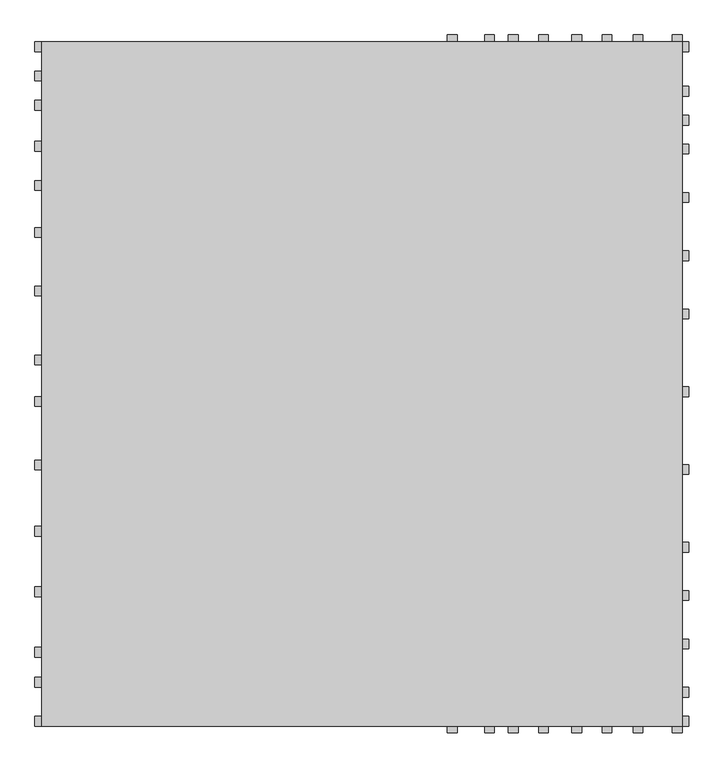
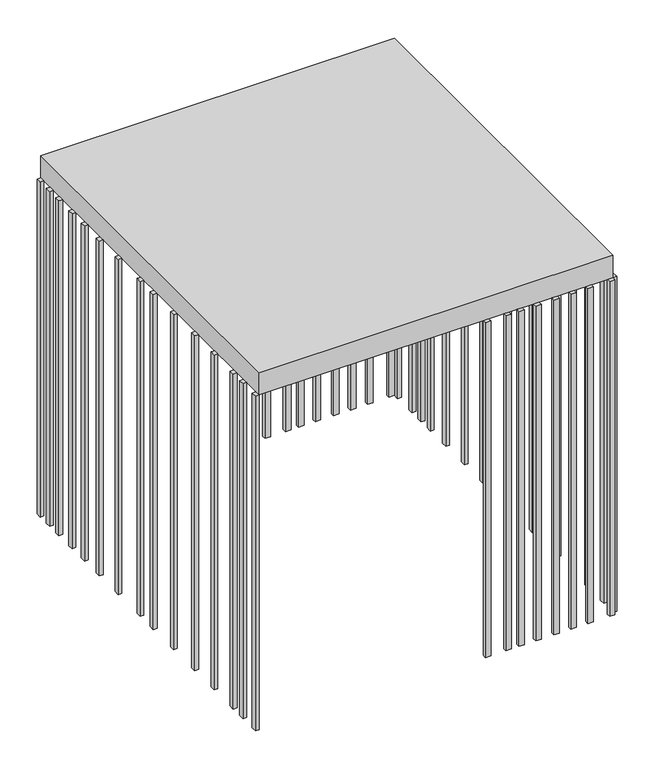
"""IFC4 building model written with IfcOpenShell, lengths in millimetres: proxy geometry."""

from ifc_helpers import new_model, si_unit, frame, origin, origin_with_axes, place, context, project, spatial, polyline, outline, extrude, source, transform, mapped, element, save


def generic_models_0f31ba75(model_context):
    return source(origin(), model_context, "Body", "SweptSolid", [
        extrude(outline(polyline([(-6620.0, 0.0), (-6620.0, 100.0), (-6550.0, 100.0), (-6550.0, 0.0), (-6620.0, 0.0)])), frame((0.0, 0.0, -6550.0), z_axis=(0.0, 0.0, 1.0), x_axis=(1.0, 0.0, 0.0)), (0.0, 0.0, 1.0), 6550.0),
        extrude(outline(polyline([(-6620.0, 400.0), (-6620.0, 500.0), (-6550.0, 500.0), (-6550.0, 400.0), (-6620.0, 400.0)])), frame((0.0, 0.0, -6550.0), z_axis=(0.0, 0.0, 1.0), x_axis=(1.0, 0.0, 0.0)), (0.0, 0.0, 1.0), 6550.0),
        extrude(outline(polyline([(-6620.0, 706.7102779), (-6620.0, 806.7102779), (-6550.0, 806.7102779), (-6550.0, 706.7102779), (-6620.0, 706.7102779)])), frame((0.0, 0.0, -6550.0), z_axis=(0.0, 0.0, 1.0), x_axis=(1.0, 0.0, 0.0)), (0.0, 0.0, 1.0), 6550.0),
        extrude(outline(polyline([(-6620.0, 1323.8206399), (-6620.0, 1423.8206399), (-6550.0, 1423.8206399), (-6550.0, 1323.8206399), (-6620.0, 1323.8206399)])), frame((0.0, 0.0, -6550.0), z_axis=(0.0, 0.0, 1.0), x_axis=(1.0, 0.0, 0.0)), (0.0, 0.0, 1.0), 6550.0),
        extrude(outline(polyline([(-6620.0, 1944.2979319), (-6620.0, 2044.2979319), (-6550.0, 2044.2979319), (-6550.0, 1944.2979319), (-6620.0, 1944.2979319)])), frame((0.0, 0.0, -6550.0), z_axis=(0.0, 0.0, 1.0), x_axis=(1.0, 0.0, 0.0)), (0.0, 0.0, 1.0), 6550.0),
        extrude(outline(polyline([(-6620.0, 2621.3422955), (-6620.0, 2721.3422955), (-6550.0, 2721.3422955), (-6550.0, 2621.3422955), (-6620.0, 2621.3422955)])), frame((0.0, 0.0, -6550.0), z_axis=(0.0, 0.0, 1.0), x_axis=(1.0, 0.0, 0.0)), (0.0, 0.0, 1.0), 6550.0),
        extrude(outline(polyline([(-6620.0, 3271.2), (-6620.0, 3371.2), (-6550.0, 3371.2), (-6550.0, 3271.2), (-6620.0, 3271.2)])), frame((0.0, 0.0, -6550.0), z_axis=(0.0, 0.0, 1.0), x_axis=(1.0, 0.0, 0.0)), (0.0, 0.0, 1.0), 6550.0),
        extrude(outline(polyline([(-6620.0, 3694.9391531), (-6620.0, 3794.9391531), (-6550.0, 3794.9391531), (-6550.0, 3694.9391531), (-6620.0, 3694.9391531)])), frame((0.0, 0.0, -6550.0), z_axis=(0.0, 0.0, 1.0), x_axis=(1.0, 0.0, 0.0)), (0.0, 0.0, 1.0), 6550.0),
        extrude(outline(polyline([(-6620.0, 4400.0), (-6620.0, 4500.0), (-6550.0, 4500.0), (-6550.0, 4400.0), (-6620.0, 4400.0)])), frame((0.0, 0.0, -6550.0), z_axis=(0.0, 0.0, 1.0), x_axis=(1.0, 0.0, 0.0)), (0.0, 0.0, 1.0), 6550.0),
        extrude(outline(polyline([(-6620.0, 5000.0), (-6620.0, 5100.0), (-6550.0, 5100.0), (-6550.0, 5000.0), (-6620.0, 5000.0)])), frame((0.0, 0.0, -6550.0), z_axis=(0.0, 0.0, 1.0), x_axis=(1.0, 0.0, 0.0)), (0.0, 0.0, 1.0), 6550.0),
        extrude(outline(polyline([(-6620.0, 5480.0), (-6620.0, 5580.0), (-6550.0, 5580.0), (-6550.0, 5480.0), (-6620.0, 5480.0)])), frame((0.0, 0.0, -6550.0), z_axis=(0.0, 0.0, 1.0), x_axis=(1.0, 0.0, 0.0)), (0.0, 0.0, 1.0), 6550.0),
        extrude(outline(polyline([(-6620.0, 5880.0), (-6620.0, 5980.0), (-6550.0, 5980.0), (-6550.0, 5880.0), (-6620.0, 5880.0)])), frame((0.0, 0.0, -6550.0), z_axis=(0.0, 0.0, 1.0), x_axis=(1.0, 0.0, 0.0)), (0.0, 0.0, 1.0), 6550.0),
        extrude(outline(polyline([(-6620.0, 6300.0), (-6620.0, 6400.0), (-6550.0, 6400.0), (-6550.0, 6300.0), (-6620.0, 6300.0)])), frame((0.0, 0.0, -6550.0), z_axis=(0.0, 0.0, 1.0), x_axis=(1.0, 0.0, 0.0)), (0.0, 0.0, 1.0), 6550.0),
        extrude(outline(polyline([(-6620.0, 6600.0), (-6620.0, 6700.0), (-6550.0, 6700.0), (-6550.0, 6600.0), (-6620.0, 6600.0)])), frame((0.0, 0.0, -6550.0), z_axis=(0.0, 0.0, 1.0), x_axis=(1.0, 0.0, 0.0)), (0.0, 0.0, 1.0), 6550.0),
        extrude(outline(polyline([(-6620.0, 6900.0), (-6620.0, 7000.0), (-6550.0, 7000.0), (-6550.0, 6900.0), (-6620.0, 6900.0)])), frame((0.0, 0.0, -6550.0), z_axis=(0.0, 0.0, 1.0), x_axis=(1.0, 0.0, 0.0)), (0.0, 0.0, 1.0), 6550.0),
        extrude(outline(polyline([(-2400.0, 0.0), (-2300.0, 0.0), (-2300.0, -70.0), (-2400.0, -70.0), (-2400.0, 0.0)])), frame((0.0, 0.0, -6550.0), z_axis=(0.0, 0.0, 1.0), x_axis=(1.0, 0.0, 0.0)), (0.0, 0.0, 1.0), 6550.0),
        extrude(outline(polyline([(-2020.7203316, 0.0), (-1920.7203316, 0.0), (-1920.7203316, -70.0), (-2020.7203316, -70.0), (-2020.7203316, 0.0)])), frame((0.0, 0.0, -6550.0), z_axis=(0.0, 0.0, 1.0), x_axis=(1.0, 0.0, 0.0)), (0.0, 0.0, 1.0), 6550.0),
        extrude(outline(polyline([(-100.0, 0.0), (0.0, 0.0), (0.0, -70.0), (-100.0, -70.0), (-100.0, 0.0)])), frame((0.0, 0.0, -6550.0), z_axis=(0.0, 0.0, 1.0), x_axis=(1.0, 0.0, 0.0)), (0.0, 0.0, 1.0), 6550.0),
        extrude(outline(polyline([(-500.2767301, 0.0), (-400.2767301, 0.0), (-400.2767301, -70.0), (-500.2767301, -70.0), (-500.2767301, 0.0)])), frame((0.0, 0.0, -6550.0), z_axis=(0.0, 0.0, 1.0), x_axis=(1.0, 0.0, 0.0)), (0.0, 0.0, 1.0), 6550.0),
        extrude(outline(polyline([(-1777.1656023, 0.0), (-1677.1656023, 0.0), (-1677.1656023, -70.0), (-1777.1656023, -70.0), (-1777.1656023, 0.0)])), frame((0.0, 0.0, -6550.0), z_axis=(0.0, 0.0, 1.0), x_axis=(1.0, 0.0, 0.0)), (0.0, 0.0, 1.0), 6550.0),
        extrude(outline(polyline([(-1467.4018203, 0.0), (-1367.4018203, 0.0), (-1367.4018203, -70.0), (-1467.4018203, -70.0), (-1467.4018203, 0.0)])), frame((0.0, 0.0, -6550.0), z_axis=(0.0, 0.0, 1.0), x_axis=(1.0, 0.0, 0.0)), (0.0, 0.0, 1.0), 6550.0),
        extrude(outline(polyline([(-1129.2627301, 0.0), (-1029.2627301, 0.0), (-1029.2627301, -70.0), (-1129.2627301, -70.0), (-1129.2627301, 0.0)])), frame((0.0, 0.0, -6550.0), z_axis=(0.0, 0.0, 1.0), x_axis=(1.0, 0.0, 0.0)), (0.0, 0.0, 1.0), 6550.0),
        extrude(outline(polyline([(-818.5582557, 0.0), (-718.5582557, 0.0), (-718.5582557, -70.0), (-818.5582557, -70.0), (-818.5582557, 0.0)])), frame((0.0, 0.0, -6550.0), z_axis=(0.0, 0.0, 1.0), x_axis=(1.0, 0.0, 0.0)), (0.0, 0.0, 1.0), 6550.0),
        extrude(outline(polyline([(-2400.0, 7070.0), (-2300.0, 7070.0), (-2300.0, 7000.0), (-2400.0, 7000.0), (-2400.0, 7070.0)])), frame((0.0, 0.0, -6550.0), z_axis=(0.0, 0.0, 1.0), x_axis=(1.0, 0.0, 0.0)), (0.0, 0.0, 1.0), 6550.0),
        extrude(outline(polyline([(-2020.7203316, 7070.0), (-1920.7203316, 7070.0), (-1920.7203316, 7000.0), (-2020.7203316, 7000.0), (-2020.7203316, 7070.0)])), frame((0.0, 0.0, -6550.0), z_axis=(0.0, 0.0, 1.0), x_axis=(1.0, 0.0, 0.0)), (0.0, 0.0, 1.0), 6550.0),
        extrude(outline(polyline([(-100.0, 7070.0), (0.0, 7070.0), (0.0, 7000.0), (-100.0, 7000.0), (-100.0, 7070.0)])), frame((0.0, 0.0, -6550.0), z_axis=(0.0, 0.0, 1.0), x_axis=(1.0, 0.0, 0.0)), (0.0, 0.0, 1.0), 6550.0),
        extrude(outline(polyline([(-500.2767301, 7070.0), (-400.2767301, 7070.0), (-400.2767301, 7000.0), (-500.2767301, 7000.0), (-500.2767301, 7070.0)])), frame((0.0, 0.0, -6550.0), z_axis=(0.0, 0.0, 1.0), x_axis=(1.0, 0.0, 0.0)), (0.0, 0.0, 1.0), 6550.0),
        extrude(outline(polyline([(-1777.1656023, 7070.0), (-1677.1656023, 7070.0), (-1677.1656023, 7000.0), (-1777.1656023, 7000.0), (-1777.1656023, 7070.0)])), frame((0.0, 0.0, -6550.0), z_axis=(0.0, 0.0, 1.0), x_axis=(1.0, 0.0, 0.0)), (0.0, 0.0, 1.0), 6550.0),
        extrude(outline(polyline([(-1467.4018203, 7070.0), (-1367.4018203, 7070.0), (-1367.4018203, 7000.0), (-1467.4018203, 7000.0), (-1467.4018203, 7070.0)])), frame((0.0, 0.0, -6550.0), z_axis=(0.0, 0.0, 1.0), x_axis=(1.0, 0.0, 0.0)), (0.0, 0.0, 1.0), 6550.0),
        extrude(outline(polyline([(-1129.2627301, 7070.0), (-1029.2627301, 7070.0), (-1029.2627301, 7000.0), (-1129.2627301, 7000.0), (-1129.2627301, 7070.0)])), frame((0.0, 0.0, -6550.0), z_axis=(0.0, 0.0, 1.0), x_axis=(1.0, 0.0, 0.0)), (0.0, 0.0, 1.0), 6550.0),
        extrude(outline(polyline([(-818.5582557, 7070.0), (-718.5582557, 7070.0), (-718.5582557, 7000.0), (-818.5582557, 7000.0), (-818.5582557, 7070.0)])), frame((0.0, 0.0, -6550.0), z_axis=(0.0, 0.0, 1.0), x_axis=(1.0, 0.0, 0.0)), (0.0, 0.0, 1.0), 6550.0),
        extrude(outline(polyline([(70.0, 7000.0), (70.0, 6900.0), (0.0, 6900.0), (0.0, 7000.0), (70.0, 7000.0)])), frame((0.0, 0.0, -6550.0), z_axis=(0.0, 0.0, 1.0), x_axis=(1.0, 0.0, 0.0)), (0.0, 0.0, 1.0), 6550.0),
        extrude(outline(polyline([(70.0, 6542.4), (70.0, 6442.4), (0.0, 6442.4), (0.0, 6542.4), (70.0, 6542.4)])), frame((0.0, 0.0, -6550.0), z_axis=(0.0, 0.0, 1.0), x_axis=(1.0, 0.0, 0.0)), (0.0, 0.0, 1.0), 6550.0),
        extrude(outline(polyline([(70.0, 6247.2), (70.0, 6147.2), (0.0, 6147.2), (0.0, 6247.2), (70.0, 6247.2)])), frame((0.0, 0.0, -6550.0), z_axis=(0.0, 0.0, 1.0), x_axis=(1.0, 0.0, 0.0)), (0.0, 0.0, 1.0), 6550.0),
        extrude(outline(polyline([(70.0, 5952.0), (70.0, 5852.0), (0.0, 5852.0), (0.0, 5952.0), (70.0, 5952.0)])), frame((0.0, 0.0, -6550.0), z_axis=(0.0, 0.0, 1.0), x_axis=(1.0, 0.0, 0.0)), (0.0, 0.0, 1.0), 6550.0),
        extrude(outline(polyline([(70.0, 5456.8), (70.0, 5356.8), (0.0, 5356.8), (0.0, 5456.8), (70.0, 5456.8)])), frame((0.0, 0.0, -6550.0), z_axis=(0.0, 0.0, 1.0), x_axis=(1.0, 0.0, 0.0)), (0.0, 0.0, 1.0), 6550.0),
        extrude(outline(polyline([(70.0, 4861.6), (70.0, 4761.6), (0.0, 4761.6), (0.0, 4861.6), (70.0, 4861.6)])), frame((0.0, 0.0, -6550.0), z_axis=(0.0, 0.0, 1.0), x_axis=(1.0, 0.0, 0.0)), (0.0, 0.0, 1.0), 6550.0),
        extrude(outline(polyline([(70.0, 4266.4), (70.0, 4166.4), (0.0, 4166.4), (0.0, 4266.4), (70.0, 4266.4)])), frame((0.0, 0.0, -6550.0), z_axis=(0.0, 0.0, 1.0), x_axis=(1.0, 0.0, 0.0)), (0.0, 0.0, 1.0), 6550.0),
        extrude(outline(polyline([(70.0, 3471.2), (70.0, 3371.2), (0.0, 3371.2), (0.0, 3471.2), (70.0, 3471.2)])), frame((0.0, 0.0, -6550.0), z_axis=(0.0, 0.0, 1.0), x_axis=(1.0, 0.0, 0.0)), (0.0, 0.0, 1.0), 6550.0),
        extrude(outline(polyline([(70.0, 2676.0), (70.0, 2576.0), (0.0, 2576.0), (0.0, 2676.0), (70.0, 2676.0)])), frame((0.0, 0.0, -6550.0), z_axis=(0.0, 0.0, 1.0), x_axis=(1.0, 0.0, 0.0)), (0.0, 0.0, 1.0), 6550.0),
        extrude(outline(polyline([(70.0, 1880.8), (70.0, 1780.8), (0.0, 1780.8), (0.0, 1880.8), (70.0, 1880.8)])), frame((0.0, 0.0, -6550.0), z_axis=(0.0, 0.0, 1.0), x_axis=(1.0, 0.0, 0.0)), (0.0, 0.0, 1.0), 6550.0),
        extrude(outline(polyline([(70.0, 1385.6), (70.0, 1285.6), (0.0, 1285.6), (0.0, 1385.6), (70.0, 1385.6)])), frame((0.0, 0.0, -6550.0), z_axis=(0.0, 0.0, 1.0), x_axis=(1.0, 0.0, 0.0)), (0.0, 0.0, 1.0), 6550.0),
        extrude(outline(polyline([(70.0, 890.4), (70.0, 790.4), (0.0, 790.4), (0.0, 890.4), (70.0, 890.4)])), frame((0.0, 0.0, -6550.0), z_axis=(0.0, 0.0, 1.0), x_axis=(1.0, 0.0, 0.0)), (0.0, 0.0, 1.0), 6550.0),
        extrude(outline(polyline([(70.0, 395.2), (70.0, 295.2), (0.0, 295.2), (0.0, 395.2), (70.0, 395.2)])), frame((0.0, 0.0, -6550.0), z_axis=(0.0, 0.0, 1.0), x_axis=(1.0, 0.0, 0.0)), (0.0, 0.0, 1.0), 6550.0),
        extrude(outline(polyline([(70.0, 100.0), (70.0, 0.0), (0.0, 0.0), (0.0, 100.0), (70.0, 100.0)])), frame((0.0, 0.0, -6550.0), z_axis=(0.0, 0.0, 1.0), x_axis=(1.0, 0.0, 0.0)), (0.0, 0.0, 1.0), 6550.0),
        extrude(outline(polyline([(-6550.0, 7000.0), (0.0, 7000.0), (0.0, 0.0), (-6550.0, 0.0), (-6550.0, 7000.0)])), origin_with_axes(), (0.0, 0.0, 1.0), 436.6666667),
    ])


if __name__ == "__main__":
    model = new_model("IFC4")
    model_context = context("Model", 3, world=origin())
    ifc_project = project(units=[si_unit("LENGTHUNIT", "METRE", prefix="MILLI")], contexts=[model_context])
    site = spatial("IfcSite", under=ifc_project)
    building = spatial("IfcBuilding", under=site)
    placement = place(None, origin())
    generic_models_shape = generic_models_0f31ba75(model_context)
    element("IfcBuildingElementProxy", 1, Name="Generic Models", at=placement, inside=building, context=model_context, shape_type="MappedRepresentation", body=[
        mapped(generic_models_shape, transform((0.0, 0.0, 0.0), x_axis=(1.0, 0.0, 0.0), y_axis=(0.0, 1.0, 0.0), z_axis=(0.0, 0.0, 1.0))),
    ])
    save(model, "model.ifc")
